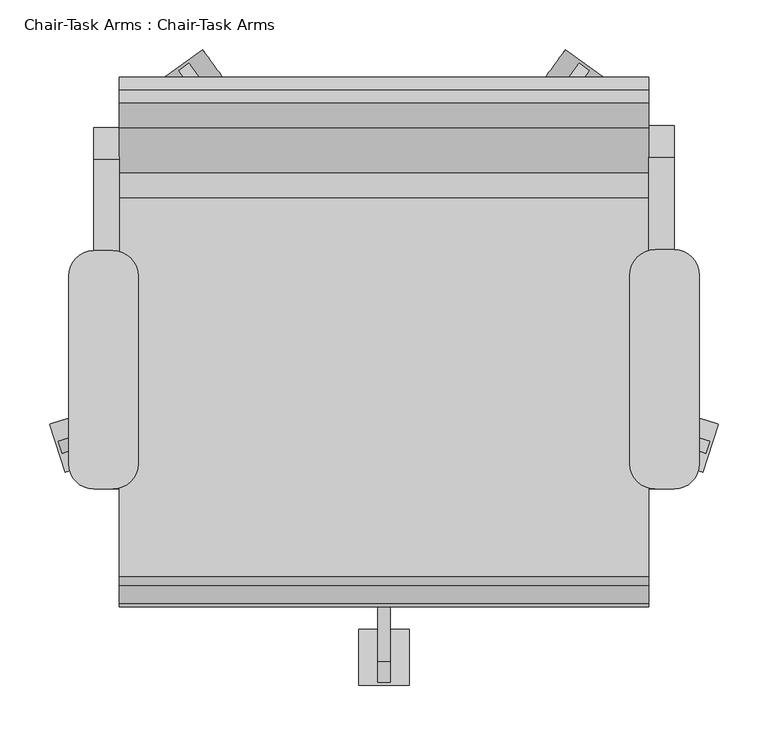
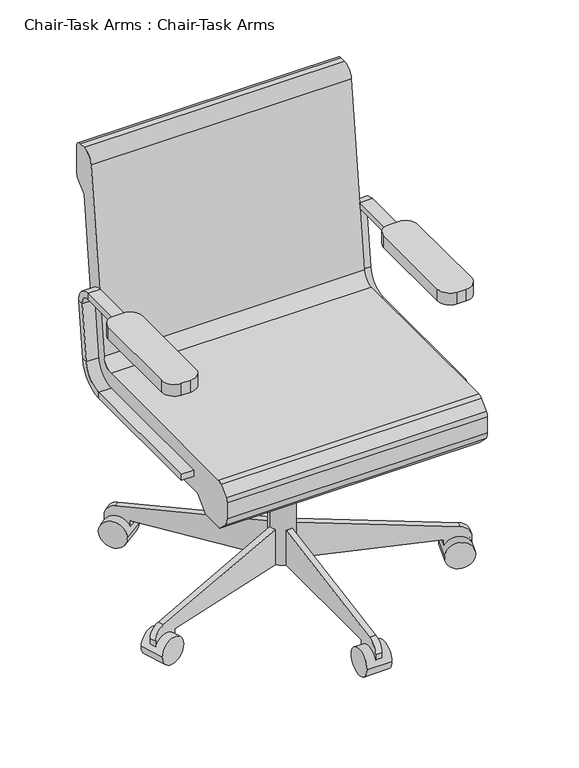
"""IFC4 building model written with IfcOpenShell, lengths in millimetres: furniture geometry, Chair-Task Arms : Chair-Task Arms."""

from ifc_helpers import new_model, si_unit, point, frame, frame_2d, origin, place, context, project, spatial, polyline, circle_curve, trimmed, segment, composite_curve, outline, extrude, source, transform, mapped, element, save
from ifc_brep_helpers import plane_surface, cylinder_surface, revolved_surface, advanced_brep


def chair_task_arms_chair_task_arms_8395c10b(model_context):
    return source(origin(), model_context, "Body", "SolidModel", [
        extrude(outline(composite_curve([segment(trimmed(circle_curve(frame_2d((433.0908197, 48.8028048)), 25.4), [point((433.0908197, 74.2028048))], [point((458.4908197, 48.8028048))], False, "CARTESIAN"), True, "CONTINUOUS"), segment(polyline([(458.4908197, 48.8028048), (458.4908197, -141.6319091)]), True, "CONTINUOUS"), segment(trimmed(circle_curve(frame_2d((433.0908197, -141.6319091)), 25.4), [point((458.4908197, -141.6319091))], [point((433.0908197, -167.0319091))], False, "CARTESIAN"), True, "CONTINUOUS"), segment(polyline([(433.0908197, -167.0319091), (414.0408197, -167.0319091)]), True, "CONTINUOUS"), segment(trimmed(circle_curve(frame_2d((414.0408197, -141.6319091)), 25.4), [point((414.0408197, -167.0319091))], [point((388.6408197, -141.6319091))], False, "CARTESIAN"), True, "CONTINUOUS"), segment(polyline([(388.6408197, -141.6319091), (388.6408197, 48.8028048)]), True, "CONTINUOUS"), segment(trimmed(circle_curve(frame_2d((414.0408197, 48.8028048)), 25.4), [point((388.6408197, 48.8028048))], [point((414.0408197, 74.2028048))], False, "CARTESIAN"), True, "CONTINUOUS"), segment(polyline([(414.0408197, 74.2028048), (433.0908197, 74.2028048)]), True, "CONTINUOUS")], self_intersect=False)), frame((0.0, 0.0, 596.9), z_axis=(0.0, 0.0, 1.0), x_axis=(1.0, 0.0, 0.0)), (0.0, 0.0, 1.0), 25.4),
        extrude(outline(composite_curve([segment(trimmed(circle_curve(frame_2d((-132.0591803, 47.7575984)), 25.4), [point((-132.0591803, 73.1575984))], [point((-106.6591803, 47.7575984))], False, "CARTESIAN"), True, "CONTINUOUS"), segment(polyline([(-106.6591803, 47.7575984), (-106.6591803, -141.6319091)]), True, "CONTINUOUS"), segment(trimmed(circle_curve(frame_2d((-132.0591803, -141.6319091)), 25.4), [point((-106.6591803, -141.6319091))], [point((-132.0591803, -167.0319091))], False, "CARTESIAN"), True, "CONTINUOUS"), segment(polyline([(-132.0591803, -167.0319091), (-151.1091803, -167.0319091)]), True, "CONTINUOUS"), segment(trimmed(circle_curve(frame_2d((-151.1091803, -141.6319091)), 25.4), [point((-151.1091803, -167.0319091))], [point((-176.5091803, -141.6319091))], False, "CARTESIAN"), True, "CONTINUOUS"), segment(polyline([(-176.5091803, -141.6319091), (-176.5091803, 47.7575984)]), True, "CONTINUOUS"), segment(trimmed(circle_curve(frame_2d((-151.1091803, 47.7575984)), 25.4), [point((-176.5091803, 47.7575984))], [point((-151.1091803, 73.1575984))], False, "CARTESIAN"), True, "CONTINUOUS"), segment(polyline([(-151.1091803, 73.1575984), (-132.0591803, 73.1575984)]), True, "CONTINUOUS")], self_intersect=False)), frame((0.0, 0.0, 596.9), z_axis=(0.0, 0.0, 1.0), x_axis=(1.0, 0.0, 0.0)), (0.0, 0.0, 1.0), 25.4),
        advanced_brep(
        [(-151.1091803, -167.0319091, 412.75), (-125.7091803, -167.0319091, 412.75), (-125.7091803, -167.0319091, 425.45), (-151.1091803, -167.0319091, 425.45), (-151.1091803, 126.2388651, 425.45), (-151.1091803, 126.2388651, 412.75), (-125.7091803, 126.2388651, 425.45), (-125.7091803, 126.2388651, 412.75), (-151.1091803, 170.3844094, 464.7064065), (-151.1091803, 182.9974221, 463.2225227), (-125.7091803, 170.3844094, 464.7064065), (-125.7091803, 182.9974221, 463.2225227), (-151.1091803, 184.1806174, 581.9741742), (-151.1091803, 196.7936301, 580.4902904), (-125.7091803, 184.1806174, 581.9741742), (-125.7091803, 196.7936301, 580.4902904), (-151.1091803, 165.2610984, 603.25), (-151.1091803, 165.2610984, 615.95), (-125.7091803, 165.2610984, 603.25), (-125.7091803, 165.2610984, 615.95), (-151.1091803, -18.9459016, 615.95), (-151.1091803, -18.9459016, 603.25), (-125.7091803, -18.9459016, 603.25), (-125.7091803, -18.9459016, 615.95)],
        [
            (0, 1),
            (1, 2),
            (2, 3),
            (3, 0),
            (3, 4),
            (4, 5),
            (5, 0),
            (2, 6),
            (6, 4),
            (1, 7),
            (7, 6),
            (5, 7),
            (8, 9),
            (9, 5, circle_curve(frame((-151.1091803, 126.2388651, 469.9), z_axis=(-1.0, 0.0, 0.0), x_axis=(0.0, 0.0, -1.0)), 57.15)),
            (4, 8, circle_curve(frame((-151.1091803, 126.2388651, 469.9), z_axis=(1.0, 0.0, 0.0), x_axis=(0.0, 0.0, -1.0)), 44.45)),
            (10, 8),
            (6, 10, circle_curve(frame((-125.7091803, 126.2388651, 469.9), z_axis=(1.0, 0.0, 0.0), x_axis=(0.0, 0.0, -1.0)), 44.45)),
            (11, 10),
            (7, 11, circle_curve(frame((-125.7091803, 126.2388651, 469.9), z_axis=(1.0, 0.0, 0.0), x_axis=(0.0, 0.0, -1.0)), 57.15)),
            (9, 11),
            (8, 12),
            (12, 13),
            (13, 9),
            (10, 14),
            (14, 12),
            (11, 15),
            (15, 14),
            (13, 15),
            (16, 17),
            (17, 13, circle_curve(frame((-151.1091803, 165.2610984, 584.2), z_axis=(-1.0, 0.0, 0.0), x_axis=(0.0, 0.9931506043228768, -0.11684124756739202)), 31.75)),
            (12, 16, circle_curve(frame((-151.1091803, 165.2610984, 584.2), z_axis=(1.0, 0.0, 0.0), x_axis=(0.0, 0.9931506043228768, -0.11684124756739202)), 19.05)),
            (18, 16),
            (14, 18, circle_curve(frame((-125.7091803, 165.2610984, 584.2), z_axis=(1.0, 0.0, 0.0), x_axis=(0.0, 0.9931506043228768, -0.11684124756739202)), 19.05)),
            (19, 18),
            (15, 19, circle_curve(frame((-125.7091803, 165.2610984, 584.2), z_axis=(1.0, 0.0, 0.0), x_axis=(0.0, 0.9931506043228768, -0.11684124756739202)), 31.75)),
            (17, 19),
            (20, 21),
            (21, 22),
            (22, 23),
            (23, 20),
            (16, 21),
            (20, 17),
            (18, 22),
            (19, 23),
        ],
        [
            plane_surface(frame((-152.608212, -167.0319091, 419.1), z_axis=(0.0, -1.0, 0.0), x_axis=(0.0, 0.0, -1.0))),
            plane_surface(frame((-151.1091803, -167.0319091, 412.75), z_axis=(-1.0, 0.0, 0.0), x_axis=(0.0, 1.0, 0.0))),
            plane_surface(frame((-151.1091803, -167.0319091, 425.45), z_axis=(0.0, 0.0, 1.0), x_axis=(0.0, 1.0, 0.0))),
            plane_surface(frame((-125.7091803, -167.0319091, 425.45), z_axis=(1.0, 0.0, 0.0), x_axis=(0.0, 1.0, 0.0))),
            plane_surface(frame((-125.7091803, -167.0319091, 412.75), z_axis=(0.0, 0.0, -1.0), x_axis=(0.0, 1.0, 0.0))),
            plane_surface(frame((-151.1091803, 126.2388651, 469.9), z_axis=(-1.0, 0.0, 0.0), x_axis=(0.0, 0.0, -1.0))),
            revolved_surface(polyline([(-151.1091803, 126.2388651, 425.45), (-125.7091803, 126.2388651, 425.45)]), (-138.4091803, 126.2388651, 469.9), (-1.0, 0.0, 0.0)),
            plane_surface(frame((-125.7091803, 126.2388651, 469.9), z_axis=(1.0, 0.0, 0.0), x_axis=(0.0, 0.0, -1.0))),
            cylinder_surface(frame((-138.4091803, 126.2388651, 469.9), z_axis=(-1.0, 0.0, 0.0), x_axis=(0.0, 0.0, -1.0)), 57.15),
            plane_surface(frame((-151.1091803, 182.9974221, 463.2225227), z_axis=(-1.0, 0.0, 0.0), x_axis=(0.0, 0.1168412475673856, 0.9931506043228776))),
            plane_surface(frame((-151.1091803, 170.3844094, 464.7064065), z_axis=(0.0, -0.9931506043228776, 0.1168412475673856), x_axis=(0.0, 0.1168412475673856, 0.9931506043228776))),
            plane_surface(frame((-125.7091803, 170.3844094, 464.7064065), z_axis=(1.0, 0.0, 0.0), x_axis=(0.0, 0.1168412475673856, 0.9931506043228776))),
            plane_surface(frame((-125.7091803, 182.9974221, 463.2225227), z_axis=(0.0, 0.9931506043228776, -0.1168412475673856), x_axis=(0.0, 0.1168412475673856, 0.9931506043228776))),
            plane_surface(frame((-151.1091803, 165.2610984, 584.2), z_axis=(-1.0, 0.0, 0.0), x_axis=(0.0, 0.9931506043228768, -0.11684124756739202))),
            revolved_surface(polyline([(-151.1091803, 184.1806174123508, 581.9741742338413), (-125.7091803, 184.1806174123508, 581.9741742338413)]), (-138.4091803, 165.2610984, 584.2), (-1.0, 0.0, 0.0)),
            plane_surface(frame((-125.7091803, 165.2610984, 584.2), z_axis=(1.0, 0.0, 0.0), x_axis=(0.0, 0.9931506043228768, -0.11684124756739202))),
            cylinder_surface(frame((-138.4091803, 165.2610984, 584.2), z_axis=(-1.0, 0.0, 0.0), x_axis=(0.0, 0.9931506043228768, -0.11684124756739202)), 31.75),
            plane_surface(frame((-152.608212, -18.9459016, 609.6), z_axis=(0.0, -1.0, 0.0), x_axis=(0.0, 0.0, 1.0))),
            plane_surface(frame((-151.1091803, 165.2610984, 615.95), z_axis=(-1.0, 0.0, 0.0), x_axis=(0.0, -1.0, 0.0))),
            plane_surface(frame((-151.1091803, 165.2610984, 603.25), z_axis=(0.0, 0.0, -1.0), x_axis=(0.0, -1.0, 0.0))),
            plane_surface(frame((-125.7091803, 165.2610984, 603.25), z_axis=(1.0, 0.0, 0.0), x_axis=(0.0, -1.0, 0.0))),
            plane_surface(frame((-125.7091803, 165.2610984, 615.95), z_axis=(0.0, 0.0, 1.0), x_axis=(0.0, -1.0, 0.0))),
        ],
        [
            (0, [[1, 2, 3, 4]]),
            (1, [[5, 6, 7, -4]]),
            (2, [[8, 9, -5, -3]]),
            (3, [[10, 11, -8, -2]]),
            (4, [[-7, 12, -10, -1]]),
            (5, [[13, 14, -6, 15]]),
            (6, [[16, -15, -9, 17]]),
            (7, [[18, -17, -11, 19]]),
            (8, [[20, -19, -12, -14]]),
            (9, [[21, 22, 23, -13]]),
            (10, [[24, 25, -21, -16]]),
            (11, [[26, 27, -24, -18]]),
            (12, [[-23, 28, -26, -20]]),
            (13, [[29, 30, -22, 31]]),
            (14, [[32, -31, -25, 33]]),
            (15, [[34, -33, -27, 35]]),
            (16, [[36, -35, -28, -30]]),
            (17, [[37, 38, 39, 40]]),
            (18, [[41, -37, 42, -29]]),
            (19, [[43, -38, -41, -32]]),
            (20, [[44, -39, -43, -34]]),
            (21, [[-42, -40, -44, -36]]),
        ],
    ),
        advanced_brep(
        [(433.0908197, -167.0319091, 425.45), (407.6908197, -167.0319091, 425.45), (407.6908197, -167.0319091, 412.75), (433.0908197, -167.0319091, 412.75), (433.0908197, 128.329278, 412.75), (433.0908197, 128.329278, 425.45), (407.6908197, 128.329278, 412.75), (407.6908197, 128.329278, 425.45), (433.0908197, 185.0878351, 463.2225227), (433.0908197, 172.4748224, 464.7064065), (407.6908197, 185.0878351, 463.2225227), (407.6908197, 172.4748224, 464.7064065), (433.0908197, 198.884043, 580.4902904), (433.0908197, 186.2710303, 581.9741742), (407.6908197, 198.884043, 580.4902904), (407.6908197, 186.2710303, 581.9741742), (433.0908197, 167.3515113, 615.95), (433.0908197, 167.3515113, 603.25), (407.6908197, 167.3515113, 615.95), (407.6908197, 167.3515113, 603.25), (433.0908197, -18.9459016, 603.25), (433.0908197, -18.9459016, 615.95), (407.6908197, -18.9459016, 615.95), (407.6908197, -18.9459016, 603.25)],
        [
            (0, 1),
            (1, 2),
            (2, 3),
            (3, 0),
            (3, 4),
            (4, 5),
            (5, 0),
            (2, 6),
            (6, 4),
            (1, 7),
            (7, 6),
            (5, 7),
            (8, 9),
            (9, 5, circle_curve(frame((433.0908197, 128.329278, 469.9), z_axis=(-1.0, 0.0, 0.0), x_axis=(0.0, 0.0, -1.0)), 44.45)),
            (4, 8, circle_curve(frame((433.0908197, 128.329278, 469.9), z_axis=(1.0, 0.0, 0.0), x_axis=(0.0, 0.0, -1.0)), 57.15)),
            (10, 8),
            (6, 10, circle_curve(frame((407.6908197, 128.329278, 469.9), z_axis=(1.0, 0.0, 0.0), x_axis=(0.0, 0.0, -1.0)), 57.15)),
            (11, 10),
            (7, 11, circle_curve(frame((407.6908197, 128.329278, 469.9), z_axis=(1.0, 0.0, 0.0), x_axis=(0.0, 0.0, -1.0)), 44.45)),
            (9, 11),
            (8, 12),
            (12, 13),
            (13, 9),
            (10, 14),
            (14, 12),
            (11, 15),
            (15, 14),
            (13, 15),
            (16, 17),
            (17, 13, circle_curve(frame((433.0908197, 167.3515113, 584.2), z_axis=(-1.0, 0.0, 0.0), x_axis=(0.0, 0.9931506043228767, -0.1168412475673929)), 19.05)),
            (12, 16, circle_curve(frame((433.0908197, 167.3515113, 584.2), z_axis=(1.0, 0.0, 0.0), x_axis=(0.0, 0.9931506043228767, -0.1168412475673929)), 31.75)),
            (18, 16),
            (14, 18, circle_curve(frame((407.6908197, 167.3515113, 584.2), z_axis=(1.0, 0.0, 0.0), x_axis=(0.0, 0.9931506043228767, -0.1168412475673929)), 31.75)),
            (19, 18),
            (15, 19, circle_curve(frame((407.6908197, 167.3515113, 584.2), z_axis=(1.0, 0.0, 0.0), x_axis=(0.0, 0.9931506043228767, -0.1168412475673929)), 19.05)),
            (17, 19),
            (20, 21),
            (21, 22),
            (22, 23),
            (23, 20),
            (16, 21),
            (20, 17),
            (18, 22),
            (19, 23),
        ],
        [
            plane_surface(frame((406.191788, -167.0319091, 419.1), z_axis=(0.0, -1.0, 0.0), x_axis=(0.0, 0.0, -1.0))),
            plane_surface(frame((433.0908197, -167.0319091, 425.45), z_axis=(1.0, 0.0, 0.0), x_axis=(0.0, 1.0, 0.0))),
            plane_surface(frame((433.0908197, -167.0319091, 412.75), z_axis=(0.0, 0.0, -1.0), x_axis=(0.0, 1.0, 0.0))),
            plane_surface(frame((407.6908197, -167.0319091, 412.75), z_axis=(-1.0, 0.0, 0.0), x_axis=(0.0, 1.0, 0.0))),
            plane_surface(frame((407.6908197, -167.0319091, 425.45), z_axis=(0.0, 0.0, 1.0), x_axis=(0.0, 1.0, 0.0))),
            plane_surface(frame((433.0908197, 128.329278, 469.9), z_axis=(1.0, 0.0, 0.0), x_axis=(0.0, 0.0, -1.0))),
            cylinder_surface(frame((420.3908197, 128.329278, 469.9), z_axis=(-1.0, 0.0, 0.0), x_axis=(0.0, 0.0, -1.0)), 57.15),
            plane_surface(frame((407.6908197, 128.329278, 469.9), z_axis=(-1.0, 0.0, 0.0), x_axis=(0.0, 0.0, -1.0))),
            revolved_surface(polyline([(407.6908197, 128.329278, 425.45), (433.0908197, 128.329278, 425.45)]), (420.3908197, 128.329278, 469.9), (-1.0, 0.0, 0.0)),
            plane_surface(frame((433.0908197, 172.4748224, 464.7064065), z_axis=(1.0, 0.0, 0.0), x_axis=(0.0, 0.11684124756738626, 0.9931506043228775))),
            plane_surface(frame((433.0908197, 185.0878351, 463.2225227), z_axis=(0.0, 0.9931506043228775, -0.11684124756738619), x_axis=(0.0, 0.11684124756738619, 0.9931506043228775))),
            plane_surface(frame((407.6908197, 185.0878351, 463.2225227), z_axis=(-1.0, 0.0, 0.0), x_axis=(0.0, 0.11684124756738619, 0.9931506043228775))),
            plane_surface(frame((407.6908197, 172.4748224, 464.7064065), z_axis=(0.0, -0.9931506043228775, 0.11684124756738626), x_axis=(0.0, 0.11684124756738626, 0.9931506043228775))),
            plane_surface(frame((433.0908197, 167.3515113, 584.2), z_axis=(1.0, 0.0, 0.0), x_axis=(0.0, 0.9931506043228767, -0.1168412475673929))),
            cylinder_surface(frame((420.3908197, 167.3515113, 584.2), z_axis=(-1.0, 0.0, 0.0), x_axis=(0.0, 0.9931506043228767, -0.1168412475673929)), 31.75),
            plane_surface(frame((407.6908197, 167.3515113, 584.2), z_axis=(-1.0, 0.0, 0.0), x_axis=(0.0, 0.9931506043228767, -0.1168412475673929))),
            revolved_surface(polyline([(407.6908197, 186.2710303123508, 581.9741742338412), (433.0908197, 186.2710303123508, 581.9741742338412)]), (420.3908197, 167.3515113, 584.2), (-1.0, 0.0, 0.0)),
            plane_surface(frame((406.191788, -18.9459016, 609.6), z_axis=(0.0, -1.0, 0.0), x_axis=(0.0, 0.0, 1.0))),
            plane_surface(frame((433.0908197, 167.3515113, 603.25), z_axis=(1.0, 0.0, 0.0), x_axis=(0.0, -1.0, 0.0))),
            plane_surface(frame((433.0908197, 167.3515113, 615.95), z_axis=(0.0, 0.0, 1.0), x_axis=(0.0, -1.0, 0.0))),
            plane_surface(frame((407.6908197, 167.3515113, 615.95), z_axis=(-1.0, 0.0, 0.0), x_axis=(0.0, -1.0, 0.0))),
            plane_surface(frame((407.6908197, 167.3515113, 603.25), z_axis=(0.0, 0.0, -1.0), x_axis=(0.0, -1.0, 0.0))),
        ],
        [
            (0, [[1, 2, 3, 4]]),
            (1, [[5, 6, 7, -4]]),
            (2, [[8, 9, -5, -3]]),
            (3, [[10, 11, -8, -2]]),
            (4, [[-7, 12, -10, -1]]),
            (5, [[13, 14, -6, 15]]),
            (6, [[16, -15, -9, 17]]),
            (7, [[18, -17, -11, 19]]),
            (8, [[20, -19, -12, -14]]),
            (9, [[21, 22, 23, -13]]),
            (10, [[24, 25, -21, -16]]),
            (11, [[26, 27, -24, -18]]),
            (12, [[-23, 28, -26, -20]]),
            (13, [[29, 30, -22, 31]]),
            (14, [[32, -31, -25, 33]]),
            (15, [[34, -33, -27, 35]]),
            (16, [[36, -35, -28, -30]]),
            (17, [[37, 38, 39, 40]]),
            (18, [[41, -37, 42, -29]]),
            (19, [[43, -38, -41, -32]]),
            (20, [[44, -39, -43, -34]]),
            (21, [[-42, -40, -44, -36]]),
        ],
    ),
        extrude(outline(composite_curve([segment(trimmed(circle_curve(frame_2d((140.9908197, -18.9459016)), 25.4), [point((115.5908197, -18.9459016))], [point((166.3908197, -18.9459016))], False, "CARTESIAN"), True, "CONTINUOUS"), segment(trimmed(circle_curve(frame_2d((140.9908197, -18.9459016)), 25.4), [point((166.3908197, -18.9459016))], [point((115.5908197, -18.9459016))], False, "CARTESIAN"), True, "CONTINUOUS")], self_intersect=False)), frame((0.0, 0.0, 53.5835944), z_axis=(0.0, 0.0, 1.0), x_axis=(1.0, 0.0, 0.0)), (0.0, 0.0, 1.0), 330.5914056),
        extrude(outline(composite_curve([segment(trimmed(circle_curve(frame_2d((0.0, 28.2002728)), 28.2002727), [point((0.0, 56.4005455))], [point((0.0, 0.0))], False, "CARTESIAN"), True, "CONTINUOUS"), segment(trimmed(circle_curve(frame_2d((0.0, 28.2002728)), 28.2002727), [point((0.0, 0.0))], [point((0.0, 56.4005455))], False, "CARTESIAN"), True, "CONTINUOUS")], self_intersect=False)), frame((461.9222851, -149.9299964, 28.1835944), z_axis=(0.3090169943749423, 0.9510565162951553, 0.0), x_axis=(0.0, 0.0, -1.0)), (0.0, 0.0, 1.0), 50.8),
        extrude(outline(composite_curve([segment(polyline([(25.4, 0.0), (0.0, 0.0), (0.0, 50.8), (24.303053, 50.8)]), True, "CONTINUOUS"), segment(trimmed(circle_curve(frame_2d((24.303053, 25.4)), 25.4), [point((24.303053, 50.8))], [point((49.3171699, 29.8106636))], False, "CARTESIAN"), True, "CONTINUOUS"), segment(polyline([(49.3171699, 29.8106636), (101.6, -266.7), (101.6, -292.1), (25.4, -292.1), (25.4, 0.0)]), True, "CONTINUOUS")], self_intersect=False)), frame((416.8321702, -115.2489746, 28.1835944), z_axis=(0.3090169943749423, 0.9510565162951553, 0.0), x_axis=(0.0, 0.0, 1.0)), (0.0, 0.0, 1.0), 12.7),
        extrude(outline(composite_curve([segment(trimmed(circle_curve(frame_2d((0.0, 28.2002726)), 28.2002727), [point((0.0, 56.4005454))], [point((0.0, 0.0))], False, "CARTESIAN"), True, "CONTINUOUS"), segment(trimmed(circle_curve(frame_2d((0.0, 28.2002726)), 28.2002727), [point((0.0, 0.0))], [point((0.0, 56.4005454))], False, "CARTESIAN"), True, "CONTINUOUS")], self_intersect=False)), frame((364.7373733, 245.8017485, 28.1835944), z_axis=(-0.8090169943749499, 0.5877852522924699, 0.0), x_axis=(0.0, 0.0, -1.0)), (0.0, 0.0, 1.0), 50.8),
        extrude(outline(composite_curve([segment(polyline([(25.4, 0.0), (0.0, 0.0), (0.0, 50.8), (24.303053, 50.8)]), True, "CONTINUOUS"), segment(trimmed(circle_curve(frame_2d((24.303053, 25.3999999)), 25.4), [point((24.303053, 50.8))], [point((49.3171699, 29.8106637))], False, "CARTESIAN"), True, "CONTINUOUS"), segment(polyline([(49.3171699, 29.8106637), (101.6, -266.7), (101.6, -292.1), (25.4, -292.1), (25.4, 0.0)]), True, "CONTINUOUS")], self_intersect=False)), frame((317.8201498, 213.6355261, 28.1835944), z_axis=(-0.8090169943749499, 0.5877852522924699, 0.0), x_axis=(0.0, 0.0, 1.0)), (0.0, 0.0, 1.0), 12.7),
        extrude(outline(composite_curve([segment(trimmed(circle_curve(frame_2d((0.0, 28.2002726)), 28.2002727), [point((0.0, 56.4005454))], [point((0.0, 0.0))], False, "CARTESIAN"), True, "CONTINUOUS"), segment(trimmed(circle_curve(frame_2d((0.0, 28.2002726)), 28.2002727), [point((0.0, 0.0))], [point((0.0, 56.4005454))], False, "CARTESIAN"), True, "CONTINUOUS")], self_intersect=False)), frame((-82.755734, 245.8017485, 28.1835944), z_axis=(0.8090169943749458, 0.5877852522924754, 0.0), x_axis=(0.0, 0.0, 1.0)), (0.0, 0.0, 1.0), 50.8),
        extrude(outline(composite_curve([segment(polyline([(-25.4, 0.0), (-25.4, -292.1), (-101.6, -292.1), (-101.6, -266.6999999), (-49.3171699, 29.8106637)]), True, "CONTINUOUS"), segment(trimmed(circle_curve(frame_2d((-24.303053, 25.3999999)), 25.4), [point((-49.3171699, 29.8106637))], [point((-24.303053, 50.8))], False, "CARTESIAN"), True, "CONTINUOUS"), segment(polyline([(-24.303053, 50.8), (0.0, 50.8), (0.0, 0.0), (-25.4, 0.0)]), True, "CONTINUOUS")], self_intersect=False)), frame((-35.8385104, 213.6355261, 28.1835944), z_axis=(0.8090169943749459, 0.5877852522924754, 0.0), x_axis=(0.0, 0.0, -1.0)), (0.0, 0.0, 1.0), 12.7),
        extrude(outline(composite_curve([segment(trimmed(circle_curve(frame_2d((0.0, 28.2002727)), 28.2002727), [point((0.0, 56.4005454))], [point((0.0, 0.0))], False, "CARTESIAN"), True, "CONTINUOUS"), segment(trimmed(circle_curve(frame_2d((0.0, 28.2002727)), 28.2002727), [point((0.0, 0.0))], [point((0.0, 56.4005454))], False, "CARTESIAN"), True, "CONTINUOUS")], self_intersect=False)), frame((-179.9406457, -149.9299964, 28.1835944), z_axis=(-0.3090169943749487, 0.9510565162951532, 0.0), x_axis=(0.0, 0.0, 1.0)), (0.0, 0.0, 1.0), 50.8),
        extrude(outline(composite_curve([segment(polyline([(-25.4, 0.0), (-25.4, -292.1), (-101.6, -292.1), (-101.6, -266.7), (-49.3171699, 29.8106637)]), True, "CONTINUOUS"), segment(trimmed(circle_curve(frame_2d((-24.303053, 25.4)), 25.4), [point((-49.3171699, 29.8106637))], [point((-24.303053, 50.8000001))], False, "CARTESIAN"), True, "CONTINUOUS"), segment(polyline([(-24.303053, 50.8000001), (0.0, 50.8000001), (0.0, 0.0), (-25.4, 0.0)]), True, "CONTINUOUS")], self_intersect=False)), frame((-134.8505308, -115.2489746, 28.1835944), z_axis=(-0.3090169943749487, 0.9510565162951532, 0.0), x_axis=(0.0, 0.0, -1.0)), (0.0, 0.0, 1.0), 12.7),
        extrude(outline(composite_curve([segment(trimmed(circle_curve(frame_2d((-336.4459016, 28.1835944)), 28.2002727), [point((-308.2456289, 28.1835944))], [point((-364.6461744, 28.1835944))], False, "CARTESIAN"), True, "CONTINUOUS"), segment(trimmed(circle_curve(frame_2d((-336.4459016, 28.1835944)), 28.2002727), [point((-364.6461744, 28.1835944))], [point((-308.2456289, 28.1835944))], False, "CARTESIAN"), True, "CONTINUOUS")], self_intersect=False)), frame((115.5908197, 0.0, 0.0), z_axis=(1.0, 0.0, 0.0), x_axis=(0.0, 1.0, 0.0)), (0.0, 0.0, 1.0), 50.8),
        extrude(outline(composite_curve([segment(polyline([(-311.0459016, 53.5835944), (-311.0459016, 28.1835944), (-361.8459016, 28.1835944), (-361.8459016, 52.4866474)]), True, "CONTINUOUS"), segment(trimmed(circle_curve(frame_2d((-336.4459016, 52.4866474)), 25.4), [point((-361.8459016, 52.4866474))], [point((-340.8565654, 77.5007643))], False, "CARTESIAN"), True, "CONTINUOUS"), segment(polyline([(-340.8565654, 77.5007643), (-44.3459016, 129.7835944), (-18.9459016, 129.7835944), (-18.9459016, 53.5835944), (-311.0459016, 53.5835944)]), True, "CONTINUOUS")], self_intersect=False)), frame((134.6408197, 0.0, 0.0), z_axis=(1.0, 0.0, 0.0), x_axis=(0.0, 1.0, 0.0)), (0.0, 0.0, 1.0), 12.7),
        extrude(outline(polyline([(-69.7459016, 383.7835944), (19.1540984, 383.7835944), (19.1540984, 283.0954134), (-18.9459016, 283.0954134), (-69.7459016, 371.0835944), (-69.7459016, 383.7835944)])), frame((90.1908197, 0.0, 0.0), z_axis=(1.0, 0.0, 0.0), x_axis=(0.0, 1.0, 0.0)), (0.0, 0.0, 1.0), 101.6),
        extrude(outline(composite_curve([segment(trimmed(circle_curve(frame_2d((126.2050455, 482.6)), 25.4), [point((126.2050455, 457.2))], [point((151.4310708, 479.6322323))], True, "CARTESIAN"), True, "CONTINUOUS"), segment(polyline([(151.4310708, 479.6322323), (196.9528985, 866.5677677)]), True, "CONTINUOUS"), segment(trimmed(circle_curve(frame_2d((222.1789239, 863.6)), 25.4), [point((196.9528985, 866.5677677))], [point((222.1789239, 889.0))], False, "CARTESIAN"), True, "CONTINUOUS"), segment(polyline([(222.1789239, 889.0), (235.0540984, 889.0)]), True, "CONTINUOUS"), segment(trimmed(circle_curve(frame_2d((235.0540984, 876.3)), 12.7), [point((235.0540984, 889.0))], [point((247.7540984, 876.3))], False, "CARTESIAN"), True, "CONTINUOUS"), segment(polyline([(247.7540984, 876.3), (247.7540984, 818.0605122)]), True, "CONTINUOUS"), segment(trimmed(circle_curve(frame_2d((235.0540984, 818.0605122)), 12.7), [point((247.7540984, 818.0605122))], [point((244.0343545, 809.0802561))], False, "CARTESIAN"), True, "CONTINUOUS"), segment(polyline([(244.0343545, 809.0802561), (222.3540984, 787.4), (182.7870738, 451.0802913)]), True, "CONTINUOUS"), segment(trimmed(circle_curve(frame_2d((107.1089978, 459.9835944)), 76.2), [point((182.7870738, 451.0802913))], [point((107.1089978, 383.7835944))], False, "CARTESIAN"), True, "CONTINUOUS"), segment(polyline([(107.1089978, 383.7835944), (-181.0744602, 383.7835944), (-209.4470284, 355.6), (-260.2470284, 355.6), (-278.2663256, 373.7401184)]), True, "CONTINUOUS"), segment(trimmed(circle_curve(frame_2d((-260.2459016, 391.6405184)), 25.4), [point((-278.2663256, 373.7401184))], [point((-285.6459016, 391.6405184))], False, "CARTESIAN"), True, "CONTINUOUS"), segment(polyline([(-285.6459016, 391.6405184), (-285.6459016, 426.6837879)]), True, "CONTINUOUS"), segment(trimmed(circle_curve(frame_2d((-272.9459016, 426.6837879)), 12.7), [point((-285.6459016, 426.6837879))], [point((-281.8961016, 435.6939999))], False, "CARTESIAN"), True, "CONTINUOUS"), segment(polyline([(-281.8961016, 435.6939999), (-263.9604301, 453.510212)]), True, "CONTINUOUS"), segment(trimmed(circle_curve(frame_2d((-255.0102301, 444.5)), 12.7), [point((-263.9604301, 453.510212))], [point((-255.0102301, 457.2))], False, "CARTESIAN"), True, "CONTINUOUS"), segment(polyline([(-255.0102301, 457.2), (126.2050455, 457.2)]), True, "CONTINUOUS")], self_intersect=False)), frame((-125.7091803, 0.0, 0.0), z_axis=(1.0, 0.0, 0.0), x_axis=(0.0, 1.0, 0.0)), (0.0, 0.0, 1.0), 533.4),
    ])


if __name__ == "__main__":
    model = new_model("IFC4")
    model_context = context("Model", 3, world=origin())
    ifc_project = project(units=[si_unit("LENGTHUNIT", "METRE", prefix="MILLI")], contexts=[model_context])
    site = spatial("IfcSite", under=ifc_project)
    building = spatial("IfcBuilding", under=site)
    placement = place(None, origin())
    chair_task_arms_chair_task_arms_shape = chair_task_arms_chair_task_arms_8395c10b(model_context)
    element("IfcFurniture", 1, ObjectType="Chair-Task Arms : Chair-Task Arms", at=placement, inside=building, context=model_context, shape_type="MappedRepresentation", body=[
        mapped(chair_task_arms_chair_task_arms_shape, transform((0.0, 0.0, 0.0), x_axis=(1.0, 0.0, 0.0), y_axis=(0.0, 1.0, 0.0), z_axis=(0.0, 0.0, 1.0))),
    ])
    save(model, "model.ifc")
